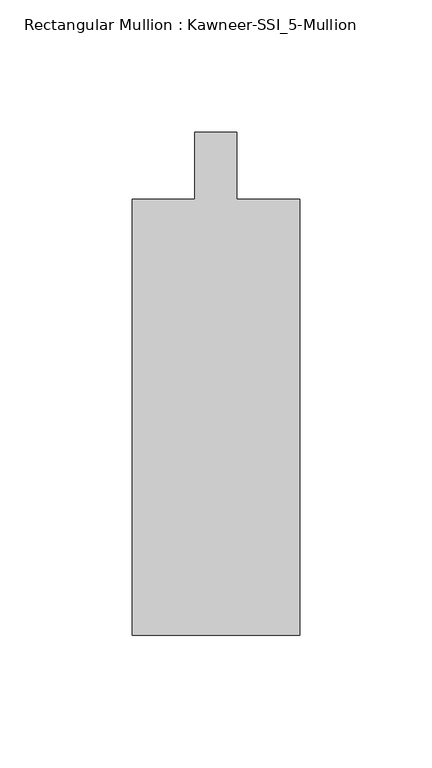
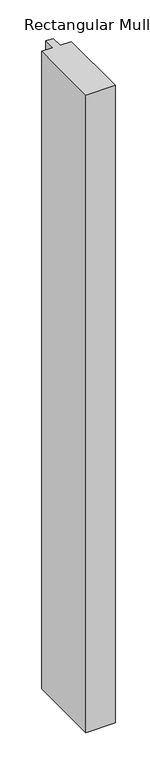
"""IFC4 building model written with IfcOpenShell, lengths in millimetres: member geometry, Rectangular Mullion : Kawneer-SSI_5-Mullion."""

from ifc_helpers import new_model, si_unit, frame, origin, place, context, project, spatial, polyline, outline, extrude, source, transform, mapped, element, save


def rectangular_mullion_kawneer_ssi_5_mullion_14ed454c(model_context):
    return source(origin(), model_context, "Body", "SweptSolid", [
        extrude(outline(polyline([(-31.75, -177.8), (-31.75, -12.7), (-7.9375, -12.7), (-7.9375, 12.7), (7.9375, 12.7), (7.9375, -12.7), (31.75, -12.7), (31.75, -177.8), (-31.75, -177.8)])), frame((0.0, 0.0, -1460.5), z_axis=(0.0, 0.0, 1.0), x_axis=(1.0, 0.0, 0.0)), (0.0, 0.0, 1.0), 1460.5),
    ])


if __name__ == "__main__":
    model = new_model("IFC4")
    model_context = context("Model", 3, world=origin())
    ifc_project = project(units=[si_unit("LENGTHUNIT", "METRE", prefix="MILLI")], contexts=[model_context])
    site = spatial("IfcSite", under=ifc_project)
    building = spatial("IfcBuilding", under=site)
    placement = place(None, origin())
    rectangular_mullion_kawneer_ssi_5_mullion_shape = rectangular_mullion_kawneer_ssi_5_mullion_14ed454c(model_context)
    element("IfcMember", 1, ObjectType="Rectangular Mullion : Kawneer-SSI_5-Mullion", at=placement, inside=building, context=model_context, shape_type="MappedRepresentation", body=[
        mapped(rectangular_mullion_kawneer_ssi_5_mullion_shape, transform((0.0, 0.0, 0.0), x_axis=(1.0, 0.0, 0.0), y_axis=(0.0, 1.0, 0.0), z_axis=(0.0, 0.0, 1.0))),
    ])
    save(model, "model.ifc")
